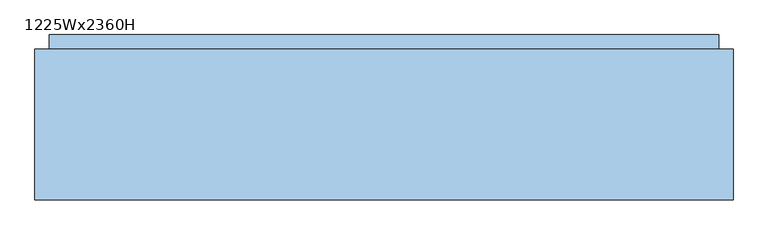
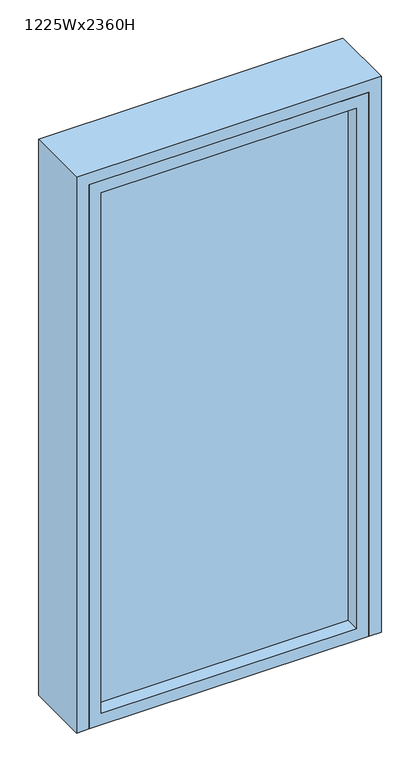
"""IFC4 building model written with IfcOpenShell, lengths in millimetres: window geometry, 1225Wx2360H."""

import ifcopenshell
import ifcopenshell.guid

model = None  # the IFC model being written
_history = None  # IfcOwnerHistory: only IFC2X3 demands one
_inside = {}  # id of a spatial element -> (the spatial element, [elements in it])
_under = {}  # id of a project, library or spatial element -> (it, [spatial elements below it])
_declared = {}  # id of a project -> (the project, [libraries it declares])
_typed = {}  # id of a type object -> (the type object, [elements of that type])
_made_of = {}  # id of a material, layer set ... -> (it, [elements and type objects made of it])


def new_model(schema):
    """Start an empty IFC model of exactly this schema.

    Asked for "IFC4X3", IfcOpenShell would pick the latest addendum, in which some entities
    have other attributes; the version numbers below select the first issue.
    IFC2X3 requires an IfcOwnerHistory on every rooted entity: one is made here for all.
    """
    global model, _history
    if schema == "IFC4X3":
        model = ifcopenshell.file(schema_version=(4, 3, 0, 0))
    else:
        model = ifcopenshell.file(schema=schema)
    _inside.clear()
    _under.clear()
    _declared.clear()
    _typed.clear()
    _made_of.clear()
    _history = None
    if model.schema == "IFC2X3":
        org = make("IfcOrganization", Name="unknown")
        user = make(
            "IfcPersonAndOrganization",
            ThePerson=make("IfcPerson", FamilyName="unknown"),
            TheOrganization=org,
        )
        app = make(
            "IfcApplication",
            ApplicationDeveloper=org,
            Version="unknown",
            ApplicationFullName="unknown",
            ApplicationIdentifier="unknown",
        )
        _history = make(
            "IfcOwnerHistory",
            OwningUser=user,
            OwningApplication=app,
            ChangeAction="ADDED",
            CreationDate=0,
        )
    return model


def make(cls, **values):
    """One entity of the class cls with the attributes given. An attribute that is None is left unset."""
    return model.create_entity(
        cls, **{name: value for name, value in values.items() if value is not None}
    )


def rooted(cls, **values):
    """An entity with a GlobalId (a new one), such as an element, a storey or a relation."""
    return make(cls, GlobalId=ifcopenshell.guid.new(), OwnerHistory=_history, **values)


def si_unit(unit_type, name, prefix=None):
    """IfcSIUnit, for example si_unit("LENGTHUNIT", "METRE", prefix="MILLI")."""
    return make("IfcSIUnit", UnitType=unit_type, Prefix=prefix, Name=name)


def assignment(units):
    """IfcUnitAssignment: the units of a project."""
    return None if units is None else make("IfcUnitAssignment", Units=units)


def point(xyz):
    """IfcCartesianPoint."""
    return None if xyz is None else make("IfcCartesianPoint", Coordinates=xyz)


def direction(xyz):
    """IfcDirection."""
    return None if xyz is None else make("IfcDirection", DirectionRatios=xyz)


def frame(location, z_axis=None, x_axis=None):
    """IfcAxis2Placement3D, a coordinate frame: its origin and axes. An axis left out is left unset."""
    return make(
        "IfcAxis2Placement3D",
        Location=point(location),
        Axis=direction(z_axis),
        RefDirection=direction(x_axis),
    )


def origin():
    """The frame at (0, 0, 0) with its axes left unset."""
    return frame((0.0, 0.0, 0.0))


def origin_with_axes():
    """The frame at (0, 0, 0) with the z axis (0, 0, 1) and the x axis (1, 0, 0) written out."""
    return frame((0.0, 0.0, 0.0), z_axis=(0.0, 0.0, 1.0), x_axis=(1.0, 0.0, 0.0))


def place(relative_to, where):
    """IfcLocalPlacement: puts the frame where relative to a parent placement (None: the world)."""
    return make(
        "IfcLocalPlacement", PlacementRelTo=relative_to, RelativePlacement=where
    )


def context(
    kind, dimensions, precision=None, world=None, true_north=None, identifier=None
):
    """IfcGeometricRepresentationContext, for example the 3D "Model" context."""
    return make(
        "IfcGeometricRepresentationContext",
        ContextIdentifier=identifier,
        ContextType=kind,
        CoordinateSpaceDimension=dimensions,
        Precision=precision,
        WorldCoordinateSystem=world,
        TrueNorth=true_north,
    )


def project(units=None, contexts=None):
    """IfcProject with its units and contexts."""
    return rooted(
        "IfcProject",
        Name="project",
        RepresentationContexts=contexts,
        UnitsInContext=assignment(units),
    )


def spatial(cls, under=None, at=None, **own):
    """A site, building, storey or space (cls), placed at a placement, below another one or the project."""
    s = rooted(cls, ObjectPlacement=at, **own)
    if under is not None:
        _under.setdefault(under.id(), (under, []))[1].append(s)
    return s


def polyline(points):
    """IfcPolyline through the points."""
    return make("IfcPolyline", Points=[point(p) for p in points])


def outline(outer, holes=None, kind="AREA"):
    """IfcArbitraryClosedProfileDef: a profile drawn as a closed curve; with holes, ...WithVoids."""
    if holes is None:
        return make("IfcArbitraryClosedProfileDef", ProfileType=kind, OuterCurve=outer)
    return make(
        "IfcArbitraryProfileDefWithVoids",
        ProfileType=kind,
        OuterCurve=outer,
        InnerCurves=holes,
    )


def extrude(swept, where, along, depth):
    """IfcExtrudedAreaSolid: the profile swept, set in the frame where, extruded along a direction by depth."""
    return make(
        "IfcExtrudedAreaSolid",
        SweptArea=swept,
        Position=where,
        ExtrudedDirection=direction(along),
        Depth=depth,
    )


def faces_of(points, faces, orient=None, outer=None):
    """IfcFace entities. A face is a list of loops; a loop is a list of indices into points, from 0.

    orient and outer hold one flag for each loop. By default every Orientation is true, the
    first loop of a face is its IfcFaceOuterBound and the others are IfcFaceBound.
    """
    made = []
    for i, loops in enumerate(faces):
        bounds = []
        for j, loop in enumerate(loops):
            is_outer = j == 0 if outer is None else outer[i][j]
            bounds.append(
                make(
                    "IfcFaceOuterBound" if is_outer else "IfcFaceBound",
                    Bound=make("IfcPolyLoop", Polygon=[points[k] for k in loop]),
                    Orientation=True if orient is None else orient[i][j],
                )
            )
        made.append(make("IfcFace", Bounds=bounds))
    return made


def faceted_brep(points, faces, orient=None, outer=None, voids=None):
    """IfcFacetedBrep: a solid bounded by flat faces; with voids (closed shells), ...WithVoids."""
    shared = [point(p) for p in points]
    hull = make("IfcClosedShell", CfsFaces=faces_of(shared, faces, orient, outer))
    if voids is None:
        return make("IfcFacetedBrep", Outer=hull)
    return make(
        "IfcFacetedBrepWithVoids",
        Outer=hull,
        Voids=[
            make(cls, CfsFaces=faces_of(shared, fs, o, b)) for cls, fs, o, b in voids
        ],
    )


def shape(context_of_items, identifier, shape_type, items):
    """IfcShapeRepresentation: the items that make up one representation, for example the "Body"."""
    return make(
        "IfcShapeRepresentation",
        ContextOfItems=context_of_items,
        RepresentationIdentifier=identifier,
        RepresentationType=shape_type,
        Items=items,
    )


def source(mapping_origin, context_of_items, identifier, shape_type, items):
    """IfcRepresentationMap: a shape defined once, which mapped items show again and again."""
    return make(
        "IfcRepresentationMap",
        MappingOrigin=mapping_origin,
        MappedRepresentation=shape(context_of_items, identifier, shape_type, items),
    )


def transform(
    local_origin,
    x_axis=None,
    y_axis=None,
    z_axis=None,
    scale=None,
    scale2=None,
    scale3=None,
    uniform=True,
):
    """IfcCartesianTransformationOperator3D, or its non-uniform kind. x_axis, y_axis, z_axis: its Axis1, 2, 3."""
    if uniform:
        return make(
            "IfcCartesianTransformationOperator3D",
            Axis1=direction(x_axis),
            Axis2=direction(y_axis),
            LocalOrigin=point(local_origin),
            Scale=scale,
            Axis3=direction(z_axis),
        )
    return make(
        "IfcCartesianTransformationOperator3DnonUniform",
        Axis1=direction(x_axis),
        Axis2=direction(y_axis),
        LocalOrigin=point(local_origin),
        Scale=scale,
        Axis3=direction(z_axis),
        Scale2=scale2,
        Scale3=scale3,
    )


def mapped(mapping_source, mapping_target):
    """IfcMappedItem: shows the shape of a source again, moved by a transform."""
    return make(
        "IfcMappedItem", MappingSource=mapping_source, MappingTarget=mapping_target
    )


def made_of(thing, what):
    """Note that an element or type object is made of a material, layer set ...; save() writes the relation."""
    if what is not None:
        _made_of.setdefault(what.id(), (what, []))[1].append(thing)
    return thing


def element(
    cls,
    number,
    at=None,
    inside=None,
    cuts=None,
    type_object=None,
    material=None,
    context=None,
    identifier="Body",
    shape_type=None,
    held_by="IfcProductDefinitionShape",
    body=None,
    shapes=None,
    **own,
):
    """One element of the class cls, such as IfcWall. Its Tag is "e" and its number.

    at: its placement. inside: the storey or other place that contains it. cuts: it is an
    opening in that element (IfcRelVoidsElement). A single representation is given by context,
    identifier, shape_type and body (its items); several are given by shapes. held_by: the class
    of the entity that holds the representations. save() writes the other relations.
    """
    e = rooted(cls, Tag="e%d" % number, ObjectPlacement=at, **own)
    if body is not None:
        shapes = [shape(context, identifier, shape_type, body)]
    if shapes is not None:
        e.Representation = make(held_by, Representations=shapes)
    if inside is not None:
        _inside.setdefault(inside.id(), (inside, []))[1].append(e)
    if cuts is not None:
        rooted(
            "IfcRelVoidsElement", RelatingBuildingElement=cuts, RelatedOpeningElement=e
        )
    if type_object is not None:
        _typed.setdefault(type_object.id(), (type_object, []))[1].append(e)
    return made_of(e, material)


def aggregate(whole, parts):
    """IfcRelAggregates: a whole, such as a stair, and the parts it consists of."""
    return rooted("IfcRelAggregates", RelatingObject=whole, RelatedObjects=parts)


def save(model, path):
    """Write the relations noted so far, then the file.

    IfcRelAggregates (storeys below a building ...), IfcRelContainedInSpatialStructure (elements
    in a storey), IfcRelDefinesByType, IfcRelAssociatesMaterial and IfcRelDeclares: one each for
    every whole, place, type object, material and project.
    """
    for whole, parts in _under.values():
        aggregate(whole, parts)
    for where, things in _inside.values():
        rooted(
            "IfcRelContainedInSpatialStructure",
            RelatedElements=things,
            RelatingStructure=where,
        )
    for kind, things in _typed.values():
        rooted("IfcRelDefinesByType", RelatedObjects=things, RelatingType=kind)
    for what, things in _made_of.values():
        rooted("IfcRelAssociatesMaterial", RelatedObjects=things, RelatingMaterial=what)
    for by, libraries in _declared.values():
        rooted("IfcRelDeclares", RelatingContext=by, RelatedDefinitions=libraries)
    model.write(path)


def window_1225wx2360h_9d6a7ab2(model_context):
    return source(origin(), model_context, "Body", "SolidModel", [
        extrude(outline(polyline([(0.0, -562.5), (0.0, 562.5), (2310.0, 562.5), (2310.0, -562.5), (0.0, -562.5)]), holes=[polyline([(2260.0, -512.5), (2260.0, 512.5), (50.0, 512.5), (50.0, -512.5), (2260.0, -512.5)])]), frame((0.0, -18.0, 0.0), z_axis=(0.0, 1.0, 0.0), x_axis=(0.0, 0.0, 1.0)), (0.0, 0.0, 1.0), 100.0),
        extrude(outline(polyline([(512.5, 57.0), (512.5, 39.0), (-512.5, 39.0), (-512.5, 57.0), (512.5, 57.0)])), frame((0.0, 0.0, 50.0), z_axis=(0.0, 0.0, 1.0), x_axis=(1.0, 0.0, 0.0)), (0.0, 0.0, 1.0), 2210.0),
        extrude(outline(polyline([(-562.5, 82.0), (-562.5, 272.0), (562.5, 272.0), (562.5, 82.0), (-562.5, 82.0)])), origin_with_axes(), (0.0, 0.0, 1.0), 10.0),
        faceted_brep([(-587.5, 247.0, 0.0), (-587.5, 247.0, 2335.0), (-587.5, 272.0, 2335.0), (-587.5, 272.0, 0.0), (-612.5, 247.0, 2360.0), (612.5, 247.0, 2360.0), (612.5, 247.0, 0.0), (587.5, 247.0, 0.0), (587.5, 247.0, 2335.0), (-612.5, 247.0, 0.0), (587.5, 272.0, 2335.0), (587.5, 272.0, 0.0), (562.5, 272.0, 0.0), (562.5, 272.0, 2310.0), (-562.5, 272.0, 2310.0), (-562.5, 272.0, 0.0), (-562.5, -18.0, 0.0), (-612.5, -18.0, 0.0), (612.5, -18.0, 0.0), (562.5, -18.0, 0.0), (-562.5, -18.0, 2310.0), (562.5, -18.0, 2310.0), (612.5, -18.0, 2360.0), (-612.5, -18.0, 2360.0)], [[[0, 1, 2, 3]], [[4, 5, 6, 7, 8, 1, 0, 9]], [[2, 10, 11, 12, 13, 14, 15, 3]], [[3, 15, 16, 17, 9, 0]], [[11, 7, 6, 18, 19, 12]], [[10, 8, 7, 11]], [[17, 16, 20, 21, 19, 18, 22, 23]], [[16, 15, 14, 20]], [[12, 19, 21, 13]], [[22, 18, 6, 5]], [[4, 9, 17, 23]], [[14, 13, 21, 20]], [[23, 22, 5, 4]], [[2, 1, 8, 10]]]),
    ])


if __name__ == "__main__":
    model = new_model("IFC4")
    model_context = context("Model", 3, world=origin())
    ifc_project = project(units=[si_unit("LENGTHUNIT", "METRE", prefix="MILLI")], contexts=[model_context])
    site = spatial("IfcSite", under=ifc_project)
    building = spatial("IfcBuilding", under=site)
    placement = place(None, origin())
    window_1225wx2360h_shape = window_1225wx2360h_9d6a7ab2(model_context)
    element("IfcWindow", 1, ObjectType="1225Wx2360H", at=placement, inside=building, context=model_context, shape_type="MappedRepresentation", body=[
        mapped(window_1225wx2360h_shape, transform((0.0, 0.0, 0.0), x_axis=(1.0, 0.0, 0.0), y_axis=(0.0, 1.0, 0.0), z_axis=(0.0, 0.0, 1.0))),
    ])
    save(model, "model.ifc")
